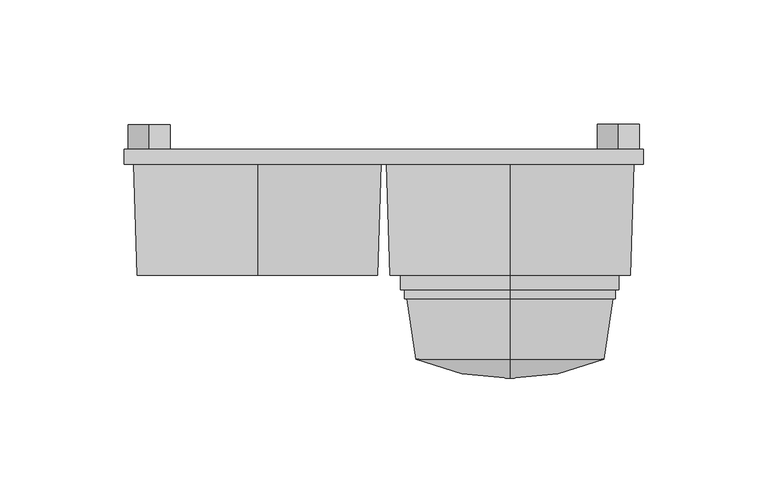
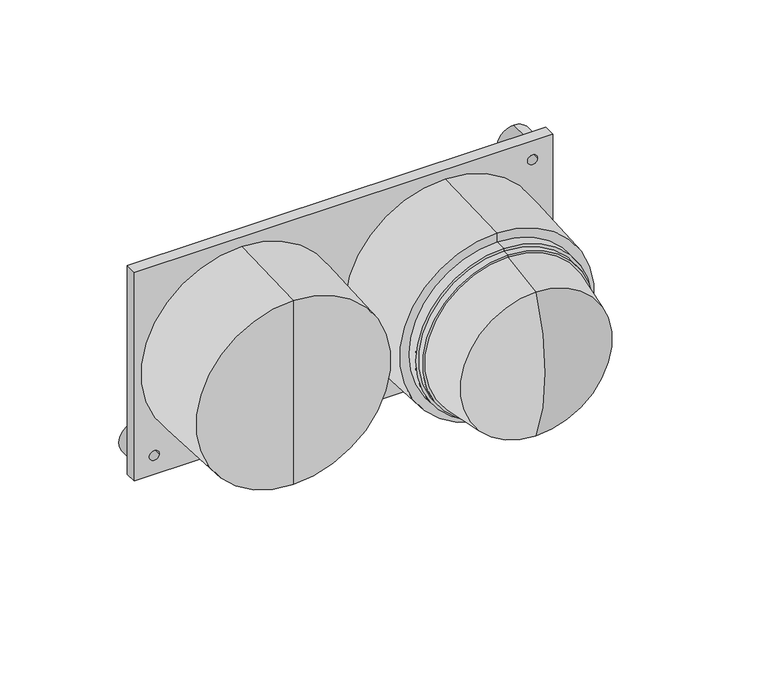
"""IFC4 building model written with IfcOpenShell, lengths in millimetres: proxy geometry."""

from ifc_helpers import new_model, si_unit, point, frame, frame_2d, origin, place, context, project, spatial, polyline, circle_curve, ellipse_curve, trimmed, segment, composite_curve, outline, extrude, source, transform, mapped, element, save
from ifc_brep_helpers import plane_surface, cylinder_surface, revolved_surface, advanced_brep


def specialty_equipment_3b3129b0(model_context):
    return source(origin(), model_context, "Body", "SolidModel", [
        extrude(outline(composite_curve([segment(trimmed(circle_curve(frame_2d((55.0, -94.25)), 8.5), [point((63.5, -94.25))], [point((46.5, -94.25))], False, "CARTESIAN"), True, "CONTINUOUS"), segment(trimmed(circle_curve(frame_2d((55.0, -94.25)), 8.5), [point((46.5, -94.25))], [point((63.5, -94.25))], False, "CARTESIAN"), True, "CONTINUOUS")], self_intersect=False), holes=[composite_curve([segment(trimmed(circle_curve(frame_2d((55.0, -94.25)), 2.5), [point((55.0, -96.75))], [point((55.0, -91.75))], True, "CARTESIAN"), True, "CONTINUOUS"), segment(trimmed(circle_curve(frame_2d((55.0, -94.25)), 2.5), [point((55.0, -91.75))], [point((55.0, -96.75))], True, "CARTESIAN"), True, "CONTINUOUS")], self_intersect=False)]), frame((0.0, -10.0, 0.0), z_axis=(0.0, 1.0, 0.0), x_axis=(0.0, 0.0, 1.0)), (0.0, 0.0, 1.0), 10.0),
        extrude(outline(composite_curve([segment(trimmed(circle_curve(frame_2d((145.0, 94.25)), 8.5), [point((153.5, 94.25))], [point((136.5, 94.25))], False, "CARTESIAN"), True, "CONTINUOUS"), segment(trimmed(circle_curve(frame_2d((145.0, 94.25)), 8.5), [point((136.5, 94.25))], [point((153.5, 94.25))], False, "CARTESIAN"), True, "CONTINUOUS")], self_intersect=False), holes=[composite_curve([segment(trimmed(circle_curve(frame_2d((145.0, 94.25)), 2.5), [point((145.0, 91.75))], [point((145.0, 96.75))], True, "CARTESIAN"), True, "CONTINUOUS"), segment(trimmed(circle_curve(frame_2d((145.0, 94.25)), 2.5), [point((145.0, 96.75))], [point((145.0, 91.75))], True, "CARTESIAN"), True, "CONTINUOUS")], self_intersect=False)]), frame((0.0, -10.0, 0.0), z_axis=(0.0, 1.0, 0.0), x_axis=(0.0, 0.0, 1.0)), (0.0, 0.0, 1.0), 10.0),
        advanced_brep(
        [(50.75, -16.0, 50.0508072), (50.75, -16.0, 150.0), (50.75, -16.0, 100.0254036), (50.75, -60.51, 51.4804036), (50.75, -60.51, 148.5704036), (50.75, -60.51, 100.0254036)],
        [
            (0, 1, circle_curve(frame((50.75, -16.0, 100.0254036), z_axis=(0.0, 1.0, 0.0), x_axis=(0.0, 0.0, 1.0)), 49.9745964)),
            (1, 2),
            (2, 0),
            (1, 0, circle_curve(frame((50.75, -16.0, 100.0254036), z_axis=(0.0, 1.0, 0.0), x_axis=(0.0, 0.0, 1.0)), 49.9745964)),
            (3, 4, circle_curve(frame((50.75, -60.51, 100.0254036), z_axis=(0.0, 1.0, 0.0), x_axis=(0.0, 0.0, 1.0)), 48.545)),
            (4, 1),
            (0, 3),
            (4, 3, circle_curve(frame((50.75, -60.51, 100.0254036), z_axis=(0.0, 1.0, 0.0), x_axis=(0.0, 0.0, 1.0)), 48.545)),
            (5, 4),
            (3, 5),
        ],
        [
            plane_surface(frame((50.75, -16.0, 100.0254036), z_axis=(0.0, 1.0, 0.0), x_axis=(0.0, 0.0, 1.0))),
            revolved_surface(polyline([(50.75, -16.0, 150.0), (50.75, -60.51, 148.5704036)]), (50.75, -60.51, 100.0254036), (0.0, -1.0, 0.0)),
            plane_surface(frame((50.75, -60.51, 100.0254036), z_axis=(0.0, -1.0, 0.0), x_axis=(0.0, 0.0, 1.0))),
        ],
        [
            (0, [[1, 2, 3]]),
            (0, [[4, -3, -2]]),
            (1, [[5, 6, -1, 7]]),
            (1, [[8, -7, -4, -6]]),
            (2, [[9, -5, 10]]),
            (2, [[-10, -8, -9]]),
        ],
    ),
        advanced_brep(
        [(50.75, -60.51, 55.9850194), (50.75, -60.51, 144.0750194), (50.75, -60.51, 100.0300194), (50.75, -66.4778641, 55.9850194), (50.75, -66.4778641, 144.0750194), (50.75, -66.4778641, 57.4126705), (50.75, -66.4778641, 142.6473683), (50.75, -69.995, 57.4126705), (50.75, -69.995, 142.6473683), (50.75, -69.995, 58.4810299), (50.75, -69.995, 141.5790089), (50.75, -94.334, 62.0600388), (50.75, -94.334, 138.0), (50.75, -101.9996639, 100.0300194)],
        [
            (0, 1, circle_curve(frame((50.75, -60.51, 100.0300194), z_axis=(0.0, 1.0, 0.0), x_axis=(0.0, 0.0, 1.0)), 44.045)),
            (1, 2),
            (2, 0),
            (1, 0, circle_curve(frame((50.75, -60.51, 100.0300194), z_axis=(0.0, 1.0, 0.0), x_axis=(0.0, 0.0, 1.0)), 44.045)),
            (3, 4, circle_curve(frame((50.75, -66.4778641, 100.0300194), z_axis=(0.0, 1.0, 0.0), x_axis=(0.0, 0.0, 1.0)), 44.045)),
            (4, 1),
            (0, 3),
            (4, 3, circle_curve(frame((50.75, -66.4778641, 100.0300194), z_axis=(0.0, 1.0, 0.0), x_axis=(0.0, 0.0, 1.0)), 44.045)),
            (5, 6, circle_curve(frame((50.75, -66.4778641, 100.0300194), z_axis=(0.0, 1.0, 0.0), x_axis=(0.0, 0.0, 1.0)), 42.6173489)),
            (6, 4),
            (3, 5),
            (6, 5, circle_curve(frame((50.75, -66.4778641, 100.0300194), z_axis=(0.0, 1.0, 0.0), x_axis=(0.0, 0.0, 1.0)), 42.6173489)),
            (7, 8, circle_curve(frame((50.75, -69.995, 100.0300194), z_axis=(0.0, 1.0, 0.0), x_axis=(0.0, 0.0, 1.0)), 42.6173489)),
            (8, 6),
            (5, 7),
            (8, 7, circle_curve(frame((50.75, -69.995, 100.0300194), z_axis=(0.0, 1.0, 0.0), x_axis=(0.0, 0.0, 1.0)), 42.6173489)),
            (9, 10, circle_curve(frame((50.75, -69.995, 100.0300194), z_axis=(0.0, 1.0, 0.0), x_axis=(0.0, 0.0, 1.0)), 41.5489895)),
            (10, 8),
            (7, 9),
            (10, 9, circle_curve(frame((50.75, -69.995, 100.0300194), z_axis=(0.0, 1.0, 0.0), x_axis=(0.0, 0.0, 1.0)), 41.5489895)),
            (11, 12, circle_curve(frame((50.75, -94.334, 100.0300194), z_axis=(0.0, 1.0, 0.0), x_axis=(0.0, 0.0, 1.0)), 37.9699806)),
            (12, 10),
            (9, 11),
            (12, 11, circle_curve(frame((50.75, -94.334, 100.0300194), z_axis=(0.0, 1.0, 0.0), x_axis=(0.0, 0.0, 1.0)), 37.9699806)),
            (13, 12, circle_curve(frame((50.75, -3.9781209, 99.9994876), z_axis=(-1.0, 0.0, 0.0), x_axis=(0.0, 1.0, 0.0)), 98.0215478)),
            (11, 13, circle_curve(frame((50.75, -3.9781209, 100.0605512), z_axis=(-1.0, 0.0, 0.0), x_axis=(0.0, 1.0, 0.0)), 98.0215478)),
        ],
        [
            plane_surface(frame((50.75, -60.51, 100.0300194), z_axis=(0.0, 1.0, 0.0), x_axis=(0.0, 0.0, 1.0))),
            cylinder_surface(frame((50.75, -101.9996639, 100.0300194), z_axis=(0.0, -1.0, 0.0), x_axis=(0.0, 0.0, 1.0)), 44.045),
            plane_surface(frame((50.75, -66.4778641, 100.0300194), z_axis=(0.0, -1.0, 0.0), x_axis=(0.0, 0.0, 1.0))),
            cylinder_surface(frame((50.75, -101.9996639, 100.0300194), z_axis=(0.0, -1.0, 0.0), x_axis=(0.0, 0.0, 1.0)), 42.6173489),
            plane_surface(frame((50.75, -69.995, 100.0300194), z_axis=(0.0, -1.0, 0.0), x_axis=(0.0, 0.0, 1.0))),
            revolved_surface(polyline([(50.75, -69.995, 141.5790089), (50.75, -94.334, 138.0)]), (50.75, -101.9996639, 100.0300194), (0.0, -1.0, 0.0)),
            revolved_surface(trimmed(ellipse_curve(frame((50.75, -3.9781209, 99.9994876), z_axis=(1.0, 0.0, 0.0), x_axis=(0.0, 1.0, 0.0)), 98.0215478, 98.0215478), [point((50.75, -94.334, 138.0))], [point((50.75, -101.9996639, 100.0300194))], True, "CARTESIAN"), (50.75, -101.9996639, 100.0300194), (0.0, -1.0, 0.0)),
        ],
        [
            (0, [[1, 2, 3]]),
            (0, [[4, -3, -2]]),
            (1, [[5, 6, -1, 7]]),
            (1, [[8, -7, -4, -6]]),
            (2, [[9, 10, -5, 11]]),
            (2, [[12, -11, -8, -10]]),
            (3, [[13, 14, -9, 15]]),
            (3, [[16, -15, -12, -14]]),
            (4, [[17, 18, -13, 19]]),
            (4, [[20, -19, -16, -18]]),
            (5, [[21, 22, -17, 23]]),
            (5, [[24, -23, -20, -22]]),
            (6, [[25, -21, 26]]),
            (6, [[-26, -24, -25]]),
        ],
    ),
        advanced_brep(
        [(-50.75, -16.0, 49.9804036), (-50.75, -16.0, 149.9295964), (-50.75, -16.0, 99.955), (-50.75, -60.51, 51.41), (-50.75, -60.51, 148.5), (-50.75, -60.51, 99.955)],
        [
            (0, 1, circle_curve(frame((-50.75, -16.0, 99.955), z_axis=(0.0, 1.0, 0.0), x_axis=(0.0, 0.0, 1.0)), 49.9745964)),
            (1, 2),
            (2, 0),
            (1, 0, circle_curve(frame((-50.75, -16.0, 99.955), z_axis=(0.0, 1.0, 0.0), x_axis=(0.0, 0.0, 1.0)), 49.9745964)),
            (3, 4, circle_curve(frame((-50.75, -60.51, 99.955), z_axis=(0.0, 1.0, 0.0), x_axis=(0.0, 0.0, 1.0)), 48.545)),
            (4, 1),
            (0, 3),
            (4, 3, circle_curve(frame((-50.75, -60.51, 99.955), z_axis=(0.0, 1.0, 0.0), x_axis=(0.0, 0.0, 1.0)), 48.545)),
            (5, 4),
            (3, 5),
        ],
        [
            plane_surface(frame((-50.75, -16.0, 99.955), z_axis=(0.0, 1.0, 0.0), x_axis=(0.0, 0.0, 1.0))),
            revolved_surface(polyline([(-50.75, -16.0, 149.9295964), (-50.75, -60.51, 148.5)]), (-50.75, -60.51, 99.955), (0.0, -1.0, 0.0)),
            plane_surface(frame((-50.75, -60.51, 99.955), z_axis=(0.0, -1.0, 0.0), x_axis=(0.0, 0.0, 1.0))),
        ],
        [
            (0, [[1, 2, 3]]),
            (0, [[4, -3, -2]]),
            (1, [[5, 6, -1, 7]]),
            (1, [[8, -7, -4, -6]]),
            (2, [[9, -5, 10]]),
            (2, [[-10, -8, -9]]),
        ],
    ),
        extrude(outline(polyline([(155.0, 104.25), (155.0, -104.25), (45.0, -104.25), (45.0, 104.25), (155.0, 104.25)]), holes=[composite_curve([segment(trimmed(circle_curve(frame_2d((145.0, 94.25)), 2.5), [point((145.0, 91.75))], [point((145.0, 96.75))], True, "CARTESIAN"), True, "CONTINUOUS"), segment(trimmed(circle_curve(frame_2d((145.0, 94.25)), 2.5), [point((145.0, 96.75))], [point((145.0, 91.75))], True, "CARTESIAN"), True, "CONTINUOUS")], self_intersect=False), composite_curve([segment(trimmed(circle_curve(frame_2d((55.0, -94.25)), 2.5), [point((55.0, -96.75))], [point((55.0, -91.75))], True, "CARTESIAN"), True, "CONTINUOUS"), segment(trimmed(circle_curve(frame_2d((55.0, -94.25)), 2.5), [point((55.0, -91.75))], [point((55.0, -96.75))], True, "CARTESIAN"), True, "CONTINUOUS")], self_intersect=False)]), frame((0.0, -16.0, 0.0), z_axis=(0.0, 1.0, 0.0), x_axis=(0.0, 0.0, 1.0)), (0.0, 0.0, 1.0), 6.0),
    ])


if __name__ == "__main__":
    model = new_model("IFC4")
    model_context = context("Model", 3, world=origin())
    ifc_project = project(units=[si_unit("LENGTHUNIT", "METRE", prefix="MILLI")], contexts=[model_context])
    site = spatial("IfcSite", under=ifc_project)
    building = spatial("IfcBuilding", under=site)
    placement = place(None, origin())
    specialty_equipment_shape = specialty_equipment_3b3129b0(model_context)
    element("IfcBuildingElementProxy", 1, Name="Specialty Equipment", at=placement, inside=building, context=model_context, shape_type="MappedRepresentation", body=[
        mapped(specialty_equipment_shape, transform((0.0, 0.0, 0.0), x_axis=(1.0, 0.0, 0.0), y_axis=(0.0, 1.0, 0.0), z_axis=(0.0, 0.0, 1.0))),
    ])
    save(model, "model.ifc")
